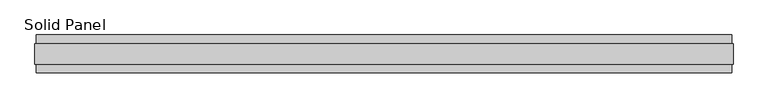
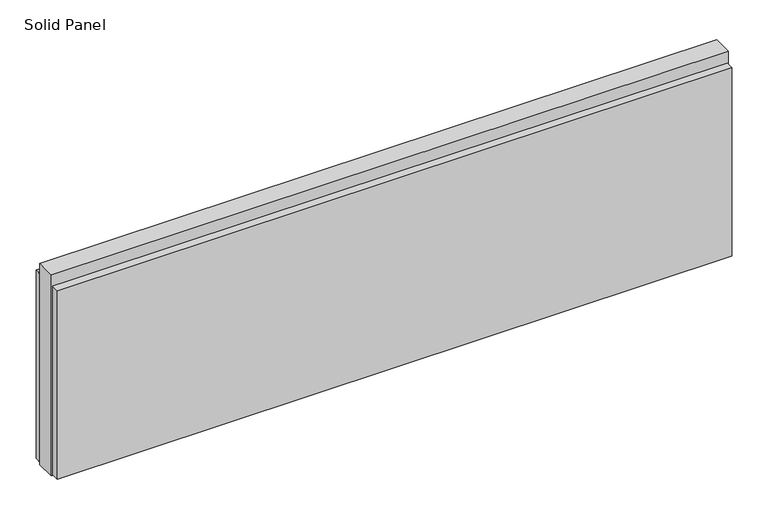
"""IFC4 building model written with IfcOpenShell, lengths in millimetres: plate geometry, Solid Panel."""

import ifcopenshell
import ifcopenshell.guid

model = None  # the IFC model being written
_history = None  # IfcOwnerHistory: only IFC2X3 demands one
_inside = {}  # id of a spatial element -> (the spatial element, [elements in it])
_under = {}  # id of a project, library or spatial element -> (it, [spatial elements below it])
_declared = {}  # id of a project -> (the project, [libraries it declares])
_typed = {}  # id of a type object -> (the type object, [elements of that type])
_made_of = {}  # id of a material, layer set ... -> (it, [elements and type objects made of it])


def new_model(schema):
    """Start an empty IFC model of exactly this schema.

    Asked for "IFC4X3", IfcOpenShell would pick the latest addendum, in which some entities
    have other attributes; the version numbers below select the first issue.
    IFC2X3 requires an IfcOwnerHistory on every rooted entity: one is made here for all.
    """
    global model, _history
    if schema == "IFC4X3":
        model = ifcopenshell.file(schema_version=(4, 3, 0, 0))
    else:
        model = ifcopenshell.file(schema=schema)
    _inside.clear()
    _under.clear()
    _declared.clear()
    _typed.clear()
    _made_of.clear()
    _history = None
    if model.schema == "IFC2X3":
        org = make("IfcOrganization", Name="unknown")
        user = make(
            "IfcPersonAndOrganization",
            ThePerson=make("IfcPerson", FamilyName="unknown"),
            TheOrganization=org,
        )
        app = make(
            "IfcApplication",
            ApplicationDeveloper=org,
            Version="unknown",
            ApplicationFullName="unknown",
            ApplicationIdentifier="unknown",
        )
        _history = make(
            "IfcOwnerHistory",
            OwningUser=user,
            OwningApplication=app,
            ChangeAction="ADDED",
            CreationDate=0,
        )
    return model


def make(cls, **values):
    """One entity of the class cls with the attributes given. An attribute that is None is left unset."""
    return model.create_entity(
        cls, **{name: value for name, value in values.items() if value is not None}
    )


def rooted(cls, **values):
    """An entity with a GlobalId (a new one), such as an element, a storey or a relation."""
    return make(cls, GlobalId=ifcopenshell.guid.new(), OwnerHistory=_history, **values)


def si_unit(unit_type, name, prefix=None):
    """IfcSIUnit, for example si_unit("LENGTHUNIT", "METRE", prefix="MILLI")."""
    return make("IfcSIUnit", UnitType=unit_type, Prefix=prefix, Name=name)


def assignment(units):
    """IfcUnitAssignment: the units of a project."""
    return None if units is None else make("IfcUnitAssignment", Units=units)


def point(xyz):
    """IfcCartesianPoint."""
    return None if xyz is None else make("IfcCartesianPoint", Coordinates=xyz)


def direction(xyz):
    """IfcDirection."""
    return None if xyz is None else make("IfcDirection", DirectionRatios=xyz)


def frame(location, z_axis=None, x_axis=None):
    """IfcAxis2Placement3D, a coordinate frame: its origin and axes. An axis left out is left unset."""
    return make(
        "IfcAxis2Placement3D",
        Location=point(location),
        Axis=direction(z_axis),
        RefDirection=direction(x_axis),
    )


def origin():
    """The frame at (0, 0, 0) with its axes left unset."""
    return frame((0.0, 0.0, 0.0))


def origin_with_axes():
    """The frame at (0, 0, 0) with the z axis (0, 0, 1) and the x axis (1, 0, 0) written out."""
    return frame((0.0, 0.0, 0.0), z_axis=(0.0, 0.0, 1.0), x_axis=(1.0, 0.0, 0.0))


def place(relative_to, where):
    """IfcLocalPlacement: puts the frame where relative to a parent placement (None: the world)."""
    return make(
        "IfcLocalPlacement", PlacementRelTo=relative_to, RelativePlacement=where
    )


def context(
    kind, dimensions, precision=None, world=None, true_north=None, identifier=None
):
    """IfcGeometricRepresentationContext, for example the 3D "Model" context."""
    return make(
        "IfcGeometricRepresentationContext",
        ContextIdentifier=identifier,
        ContextType=kind,
        CoordinateSpaceDimension=dimensions,
        Precision=precision,
        WorldCoordinateSystem=world,
        TrueNorth=true_north,
    )


def project(units=None, contexts=None):
    """IfcProject with its units and contexts."""
    return rooted(
        "IfcProject",
        Name="project",
        RepresentationContexts=contexts,
        UnitsInContext=assignment(units),
    )


def spatial(cls, under=None, at=None, **own):
    """A site, building, storey or space (cls), placed at a placement, below another one or the project."""
    s = rooted(cls, ObjectPlacement=at, **own)
    if under is not None:
        _under.setdefault(under.id(), (under, []))[1].append(s)
    return s


def polyline(points):
    """IfcPolyline through the points."""
    return make("IfcPolyline", Points=[point(p) for p in points])


def outline(outer, holes=None, kind="AREA"):
    """IfcArbitraryClosedProfileDef: a profile drawn as a closed curve; with holes, ...WithVoids."""
    if holes is None:
        return make("IfcArbitraryClosedProfileDef", ProfileType=kind, OuterCurve=outer)
    return make(
        "IfcArbitraryProfileDefWithVoids",
        ProfileType=kind,
        OuterCurve=outer,
        InnerCurves=holes,
    )


def extrude(swept, where, along, depth):
    """IfcExtrudedAreaSolid: the profile swept, set in the frame where, extruded along a direction by depth."""
    return make(
        "IfcExtrudedAreaSolid",
        SweptArea=swept,
        Position=where,
        ExtrudedDirection=direction(along),
        Depth=depth,
    )


def shape(context_of_items, identifier, shape_type, items):
    """IfcShapeRepresentation: the items that make up one representation, for example the "Body"."""
    return make(
        "IfcShapeRepresentation",
        ContextOfItems=context_of_items,
        RepresentationIdentifier=identifier,
        RepresentationType=shape_type,
        Items=items,
    )


def source(mapping_origin, context_of_items, identifier, shape_type, items):
    """IfcRepresentationMap: a shape defined once, which mapped items show again and again."""
    return make(
        "IfcRepresentationMap",
        MappingOrigin=mapping_origin,
        MappedRepresentation=shape(context_of_items, identifier, shape_type, items),
    )


def transform(
    local_origin,
    x_axis=None,
    y_axis=None,
    z_axis=None,
    scale=None,
    scale2=None,
    scale3=None,
    uniform=True,
):
    """IfcCartesianTransformationOperator3D, or its non-uniform kind. x_axis, y_axis, z_axis: its Axis1, 2, 3."""
    if uniform:
        return make(
            "IfcCartesianTransformationOperator3D",
            Axis1=direction(x_axis),
            Axis2=direction(y_axis),
            LocalOrigin=point(local_origin),
            Scale=scale,
            Axis3=direction(z_axis),
        )
    return make(
        "IfcCartesianTransformationOperator3DnonUniform",
        Axis1=direction(x_axis),
        Axis2=direction(y_axis),
        LocalOrigin=point(local_origin),
        Scale=scale,
        Axis3=direction(z_axis),
        Scale2=scale2,
        Scale3=scale3,
    )


def mapped(mapping_source, mapping_target):
    """IfcMappedItem: shows the shape of a source again, moved by a transform."""
    return make(
        "IfcMappedItem", MappingSource=mapping_source, MappingTarget=mapping_target
    )


def made_of(thing, what):
    """Note that an element or type object is made of a material, layer set ...; save() writes the relation."""
    if what is not None:
        _made_of.setdefault(what.id(), (what, []))[1].append(thing)
    return thing


def element(
    cls,
    number,
    at=None,
    inside=None,
    cuts=None,
    type_object=None,
    material=None,
    context=None,
    identifier="Body",
    shape_type=None,
    held_by="IfcProductDefinitionShape",
    body=None,
    shapes=None,
    **own,
):
    """One element of the class cls, such as IfcWall. Its Tag is "e" and its number.

    at: its placement. inside: the storey or other place that contains it. cuts: it is an
    opening in that element (IfcRelVoidsElement). A single representation is given by context,
    identifier, shape_type and body (its items); several are given by shapes. held_by: the class
    of the entity that holds the representations. save() writes the other relations.
    """
    e = rooted(cls, Tag="e%d" % number, ObjectPlacement=at, **own)
    if body is not None:
        shapes = [shape(context, identifier, shape_type, body)]
    if shapes is not None:
        e.Representation = make(held_by, Representations=shapes)
    if inside is not None:
        _inside.setdefault(inside.id(), (inside, []))[1].append(e)
    if cuts is not None:
        rooted(
            "IfcRelVoidsElement", RelatingBuildingElement=cuts, RelatedOpeningElement=e
        )
    if type_object is not None:
        _typed.setdefault(type_object.id(), (type_object, []))[1].append(e)
    return made_of(e, material)


def aggregate(whole, parts):
    """IfcRelAggregates: a whole, such as a stair, and the parts it consists of."""
    return rooted("IfcRelAggregates", RelatingObject=whole, RelatedObjects=parts)


def save(model, path):
    """Write the relations noted so far, then the file.

    IfcRelAggregates (storeys below a building ...), IfcRelContainedInSpatialStructure (elements
    in a storey), IfcRelDefinesByType, IfcRelAssociatesMaterial and IfcRelDeclares: one each for
    every whole, place, type object, material and project.
    """
    for whole, parts in _under.values():
        aggregate(whole, parts)
    for where, things in _inside.values():
        rooted(
            "IfcRelContainedInSpatialStructure",
            RelatedElements=things,
            RelatingStructure=where,
        )
    for kind, things in _typed.values():
        rooted("IfcRelDefinesByType", RelatedObjects=things, RelatingType=kind)
    for what, things in _made_of.values():
        rooted("IfcRelAssociatesMaterial", RelatedObjects=things, RelatingMaterial=what)
    for by, libraries in _declared.values():
        rooted("IfcRelDeclares", RelatingContext=by, RelatedDefinitions=libraries)
    model.write(path)


def solid_panel_fda97c9d(model_context):
    return source(origin(), model_context, "Body", "SweptSolid", [
        extrude(outline(polyline([(886.5301458, -48.4531867), (-886.5301458, -48.4531867), (-886.5301458, -25.9961), (886.5301458, -25.9961), (886.5301458, -48.4531867)])), frame((0.0, 0.0, 3.0099), z_axis=(0.0, 0.0, 1.0), x_axis=(1.0, 0.0, 0.0)), (0.0, 0.0, 1.0), 523.7861),
        extrude(outline(polyline([(886.5301458, 25.9977), (-886.5301458, 25.9977), (-886.5301458, 48.4547867), (886.5301458, 48.4547867), (886.5301458, 25.9977)])), frame((0.0, 0.0, 3.0099), z_axis=(0.0, 0.0, 1.0), x_axis=(1.0, 0.0, 0.0)), (0.0, 0.0, 1.0), 523.7861),
        extrude(outline(polyline([(889.5273458, -25.9961), (-889.5273458, -25.9961), (-889.5273458, 25.9977), (889.5273458, 25.9977), (889.5273458, -25.9961)])), origin_with_axes(), (0.0, 0.0, 1.0), 558.8),
    ])


if __name__ == "__main__":
    model = new_model("IFC4")
    model_context = context("Model", 3, world=origin())
    ifc_project = project(units=[si_unit("LENGTHUNIT", "METRE", prefix="MILLI")], contexts=[model_context])
    site = spatial("IfcSite", under=ifc_project)
    building = spatial("IfcBuilding", under=site)
    placement = place(None, origin())
    solid_panel_shape = solid_panel_fda97c9d(model_context)
    element("IfcPlate", 1, ObjectType="Solid Panel", at=placement, inside=building, context=model_context, shape_type="MappedRepresentation", body=[
        mapped(solid_panel_shape, transform((0.0, 0.0, 0.0), x_axis=(1.0, 0.0, 0.0), y_axis=(0.0, 1.0, 0.0), z_axis=(0.0, 0.0, 1.0))),
    ])
    save(model, "model.ifc")
